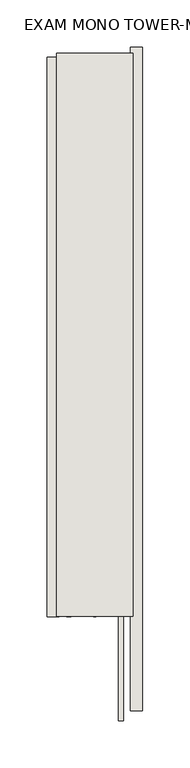
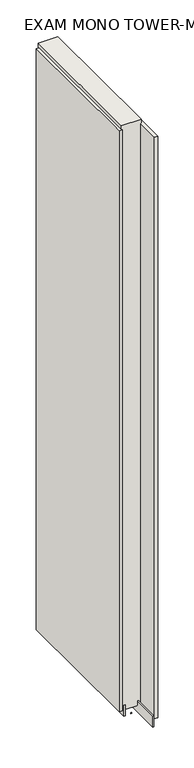
"""IFC4 building model written with IfcOpenShell, lengths in millimetres: wall geometry, EXAM MONO TOWER-MONO ACCENT 535126 : EXAM MONO TOWER-MONO ACCENT 535126."""

import ifcopenshell
import ifcopenshell.guid

model = None  # the IFC model being written
_history = None  # IfcOwnerHistory: only IFC2X3 demands one
_inside = {}  # id of a spatial element -> (the spatial element, [elements in it])
_under = {}  # id of a project, library or spatial element -> (it, [spatial elements below it])
_declared = {}  # id of a project -> (the project, [libraries it declares])
_typed = {}  # id of a type object -> (the type object, [elements of that type])
_made_of = {}  # id of a material, layer set ... -> (it, [elements and type objects made of it])


def new_model(schema):
    """Start an empty IFC model of exactly this schema.

    Asked for "IFC4X3", IfcOpenShell would pick the latest addendum, in which some entities
    have other attributes; the version numbers below select the first issue.
    IFC2X3 requires an IfcOwnerHistory on every rooted entity: one is made here for all.
    """
    global model, _history
    if schema == "IFC4X3":
        model = ifcopenshell.file(schema_version=(4, 3, 0, 0))
    else:
        model = ifcopenshell.file(schema=schema)
    _inside.clear()
    _under.clear()
    _declared.clear()
    _typed.clear()
    _made_of.clear()
    _history = None
    if model.schema == "IFC2X3":
        org = make("IfcOrganization", Name="unknown")
        user = make(
            "IfcPersonAndOrganization",
            ThePerson=make("IfcPerson", FamilyName="unknown"),
            TheOrganization=org,
        )
        app = make(
            "IfcApplication",
            ApplicationDeveloper=org,
            Version="unknown",
            ApplicationFullName="unknown",
            ApplicationIdentifier="unknown",
        )
        _history = make(
            "IfcOwnerHistory",
            OwningUser=user,
            OwningApplication=app,
            ChangeAction="ADDED",
            CreationDate=0,
        )
    return model


def make(cls, **values):
    """One entity of the class cls with the attributes given. An attribute that is None is left unset."""
    return model.create_entity(
        cls, **{name: value for name, value in values.items() if value is not None}
    )


def rooted(cls, **values):
    """An entity with a GlobalId (a new one), such as an element, a storey or a relation."""
    return make(cls, GlobalId=ifcopenshell.guid.new(), OwnerHistory=_history, **values)


def si_unit(unit_type, name, prefix=None):
    """IfcSIUnit, for example si_unit("LENGTHUNIT", "METRE", prefix="MILLI")."""
    return make("IfcSIUnit", UnitType=unit_type, Prefix=prefix, Name=name)


def assignment(units):
    """IfcUnitAssignment: the units of a project."""
    return None if units is None else make("IfcUnitAssignment", Units=units)


def point(xyz):
    """IfcCartesianPoint."""
    return None if xyz is None else make("IfcCartesianPoint", Coordinates=xyz)


def direction(xyz):
    """IfcDirection."""
    return None if xyz is None else make("IfcDirection", DirectionRatios=xyz)


def frame(location, z_axis=None, x_axis=None):
    """IfcAxis2Placement3D, a coordinate frame: its origin and axes. An axis left out is left unset."""
    return make(
        "IfcAxis2Placement3D",
        Location=point(location),
        Axis=direction(z_axis),
        RefDirection=direction(x_axis),
    )


def origin():
    """The frame at (0, 0, 0) with its axes left unset."""
    return frame((0.0, 0.0, 0.0))


def place(relative_to, where):
    """IfcLocalPlacement: puts the frame where relative to a parent placement (None: the world)."""
    return make(
        "IfcLocalPlacement", PlacementRelTo=relative_to, RelativePlacement=where
    )


def context(
    kind, dimensions, precision=None, world=None, true_north=None, identifier=None
):
    """IfcGeometricRepresentationContext, for example the 3D "Model" context."""
    return make(
        "IfcGeometricRepresentationContext",
        ContextIdentifier=identifier,
        ContextType=kind,
        CoordinateSpaceDimension=dimensions,
        Precision=precision,
        WorldCoordinateSystem=world,
        TrueNorth=true_north,
    )


def project(units=None, contexts=None):
    """IfcProject with its units and contexts."""
    return rooted(
        "IfcProject",
        Name="project",
        RepresentationContexts=contexts,
        UnitsInContext=assignment(units),
    )


def spatial(cls, under=None, at=None, **own):
    """A site, building, storey or space (cls), placed at a placement, below another one or the project."""
    s = rooted(cls, ObjectPlacement=at, **own)
    if under is not None:
        _under.setdefault(under.id(), (under, []))[1].append(s)
    return s


def polyline(points):
    """IfcPolyline through the points."""
    return make("IfcPolyline", Points=[point(p) for p in points])


def outline(outer, holes=None, kind="AREA"):
    """IfcArbitraryClosedProfileDef: a profile drawn as a closed curve; with holes, ...WithVoids."""
    if holes is None:
        return make("IfcArbitraryClosedProfileDef", ProfileType=kind, OuterCurve=outer)
    return make(
        "IfcArbitraryProfileDefWithVoids",
        ProfileType=kind,
        OuterCurve=outer,
        InnerCurves=holes,
    )


def extrude(swept, where, along, depth):
    """IfcExtrudedAreaSolid: the profile swept, set in the frame where, extruded along a direction by depth."""
    return make(
        "IfcExtrudedAreaSolid",
        SweptArea=swept,
        Position=where,
        ExtrudedDirection=direction(along),
        Depth=depth,
    )


def shape(context_of_items, identifier, shape_type, items):
    """IfcShapeRepresentation: the items that make up one representation, for example the "Body"."""
    return make(
        "IfcShapeRepresentation",
        ContextOfItems=context_of_items,
        RepresentationIdentifier=identifier,
        RepresentationType=shape_type,
        Items=items,
    )


def source(mapping_origin, context_of_items, identifier, shape_type, items):
    """IfcRepresentationMap: a shape defined once, which mapped items show again and again."""
    return make(
        "IfcRepresentationMap",
        MappingOrigin=mapping_origin,
        MappedRepresentation=shape(context_of_items, identifier, shape_type, items),
    )


def transform(
    local_origin,
    x_axis=None,
    y_axis=None,
    z_axis=None,
    scale=None,
    scale2=None,
    scale3=None,
    uniform=True,
):
    """IfcCartesianTransformationOperator3D, or its non-uniform kind. x_axis, y_axis, z_axis: its Axis1, 2, 3."""
    if uniform:
        return make(
            "IfcCartesianTransformationOperator3D",
            Axis1=direction(x_axis),
            Axis2=direction(y_axis),
            LocalOrigin=point(local_origin),
            Scale=scale,
            Axis3=direction(z_axis),
        )
    return make(
        "IfcCartesianTransformationOperator3DnonUniform",
        Axis1=direction(x_axis),
        Axis2=direction(y_axis),
        LocalOrigin=point(local_origin),
        Scale=scale,
        Axis3=direction(z_axis),
        Scale2=scale2,
        Scale3=scale3,
    )


def mapped(mapping_source, mapping_target):
    """IfcMappedItem: shows the shape of a source again, moved by a transform."""
    return make(
        "IfcMappedItem", MappingSource=mapping_source, MappingTarget=mapping_target
    )


def made_of(thing, what):
    """Note that an element or type object is made of a material, layer set ...; save() writes the relation."""
    if what is not None:
        _made_of.setdefault(what.id(), (what, []))[1].append(thing)
    return thing


def element(
    cls,
    number,
    at=None,
    inside=None,
    cuts=None,
    type_object=None,
    material=None,
    context=None,
    identifier="Body",
    shape_type=None,
    held_by="IfcProductDefinitionShape",
    body=None,
    shapes=None,
    **own,
):
    """One element of the class cls, such as IfcWall. Its Tag is "e" and its number.

    at: its placement. inside: the storey or other place that contains it. cuts: it is an
    opening in that element (IfcRelVoidsElement). A single representation is given by context,
    identifier, shape_type and body (its items); several are given by shapes. held_by: the class
    of the entity that holds the representations. save() writes the other relations.
    """
    e = rooted(cls, Tag="e%d" % number, ObjectPlacement=at, **own)
    if body is not None:
        shapes = [shape(context, identifier, shape_type, body)]
    if shapes is not None:
        e.Representation = make(held_by, Representations=shapes)
    if inside is not None:
        _inside.setdefault(inside.id(), (inside, []))[1].append(e)
    if cuts is not None:
        rooted(
            "IfcRelVoidsElement", RelatingBuildingElement=cuts, RelatedOpeningElement=e
        )
    if type_object is not None:
        _typed.setdefault(type_object.id(), (type_object, []))[1].append(e)
    return made_of(e, material)


def aggregate(whole, parts):
    """IfcRelAggregates: a whole, such as a stair, and the parts it consists of."""
    return rooted("IfcRelAggregates", RelatingObject=whole, RelatedObjects=parts)


def save(model, path):
    """Write the relations noted so far, then the file.

    IfcRelAggregates (storeys below a building ...), IfcRelContainedInSpatialStructure (elements
    in a storey), IfcRelDefinesByType, IfcRelAssociatesMaterial and IfcRelDeclares: one each for
    every whole, place, type object, material and project.
    """
    for whole, parts in _under.values():
        aggregate(whole, parts)
    for where, things in _inside.values():
        rooted(
            "IfcRelContainedInSpatialStructure",
            RelatedElements=things,
            RelatingStructure=where,
        )
    for kind, things in _typed.values():
        rooted("IfcRelDefinesByType", RelatedObjects=things, RelatingType=kind)
    for what, things in _made_of.values():
        rooted("IfcRelAssociatesMaterial", RelatedObjects=things, RelatingMaterial=what)
    for by, libraries in _declared.values():
        rooted("IfcRelDeclares", RelatingContext=by, RelatedDefinitions=libraries)
    model.write(path)


def exam_mono_tower_mono_accent_535126_exam_mono_tower_mono_bc625333(model_context):
    return source(origin(), model_context, "Body", "SweptSolid", [
        extrude(outline(polyline([(44102.7108038, -53609.5636976), (44102.7108038, -53607.0236976), (44105.2508038, -53607.0236976), (44105.2508038, -53609.5636976), (44102.7108038, -53609.5636976)])), frame((0.0, 0.0, 4419.6), z_axis=(0.0, 0.0, 1.0), x_axis=(1.0, 0.0, 0.0)), (0.0, 0.0, 1.0), 2.54),
        extrude(outline(polyline([(44154.7808038, -53006.2334082), (44154.7808038, -53709.7333982), (44142.0808038, -53709.7333982), (44142.0808038, -53006.2334082), (44154.7808038, -53006.2334082)])), frame((0.0, 0.0, 4445.0), z_axis=(0.0, 0.0, 1.0), x_axis=(1.0, 0.0, 0.0)), (0.0, 0.0, 1.0), 2545.0498756),
        extrude(outline(polyline([(44053.1808038, -53610.032988), (44053.1808038, -53017.1330308), (44065.8808038, -53017.1330308), (44065.8808038, -53610.032988), (44053.1808038, -53610.032988)])), frame((0.0, 0.0, 4445.0), z_axis=(0.0, 0.0, 1.0), x_axis=(1.0, 0.0, 0.0)), (0.0, 0.0, 1.0), 2545.0498756),
        extrude(outline(polyline([(44129.070746, -53720.1628414), (44129.070746, -53012.6711398), (44134.1495014, -53012.6711398), (44134.1495014, -53720.1628414), (44129.070746, -53720.1628414)])), frame((0.0, 0.0, 4418.6602), z_axis=(0.0, 0.0, 1.0), x_axis=(1.0, 0.0, 0.0)), (0.0, 0.0, 1.0), 47.625),
        extrude(outline(polyline([(44129.070746, -53720.1628414), (44129.070746, -53012.6711398), (44134.1495014, -53012.6711398), (44134.1495014, -53720.1628414), (44129.070746, -53720.1628414)])), frame((0.0, 0.0, 4418.6602), z_axis=(0.0, 0.0, 1.0), x_axis=(1.0, 0.0, 0.0)), (0.0, 0.0, 1.0), 47.625),
        extrude(outline(polyline([(44078.906381, -53012.6711398), (44078.906381, -53609.5711398), (44073.8245014, -53609.5711398), (44073.8245014, -53012.6711398), (44078.906381, -53012.6711398)])), frame((0.0, 0.0, 4418.6602), z_axis=(0.0, 0.0, 1.0), x_axis=(1.0, 0.0, 0.0)), (0.0, 0.0, 1.0), 47.625),
        extrude(outline(polyline([(44078.906381, -53012.6711398), (44078.906381, -53609.5711398), (44073.8245014, -53609.5711398), (44073.8245014, -53012.6711398), (44078.906381, -53012.6711398)])), frame((0.0, 0.0, 4418.6602), z_axis=(0.0, 0.0, 1.0), x_axis=(1.0, 0.0, 0.0)), (0.0, 0.0, 1.0), 47.625),
        extrude(outline(polyline([(44144.6170954, -53609.5711398), (44063.3352412, -53609.5711398), (44063.3352412, -53012.6711398), (44144.6170954, -53012.6711398), (44144.6170954, -53609.5711398)])), frame((0.0, 0.0, 4445.0), z_axis=(0.0, 0.0, 1.0), x_axis=(1.0, 0.0, 0.0)), (0.0, 0.0, 1.0), 2562.4536762),
    ])


if __name__ == "__main__":
    model = new_model("IFC4")
    model_context = context("Model", 3, world=origin())
    ifc_project = project(units=[si_unit("LENGTHUNIT", "METRE", prefix="MILLI")], contexts=[model_context])
    site = spatial("IfcSite", under=ifc_project)
    building = spatial("IfcBuilding", under=site)
    placement = place(None, origin())
    exam_mono_tower_mono_accent_535126_exam_mono_tower_mono_shape = exam_mono_tower_mono_accent_535126_exam_mono_tower_mono_bc625333(model_context)
    element("IfcWall", 1, ObjectType="EXAM MONO TOWER-MONO ACCENT 535126 : EXAM MONO TOWER-MONO ACCENT 535126", at=placement, inside=building, context=model_context, shape_type="MappedRepresentation", body=[
        mapped(exam_mono_tower_mono_accent_535126_exam_mono_tower_mono_shape, transform((0.0, 0.0, 0.0), x_axis=(1.0, 0.0, 0.0), y_axis=(0.0, 1.0, 0.0), z_axis=(0.0, 0.0, 1.0))),
    ])
    save(model, "model.ifc")
